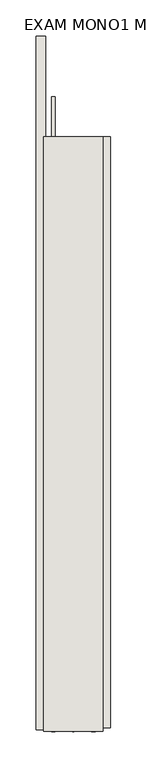
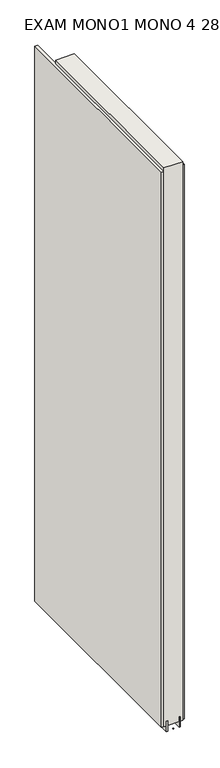
"""IFC4 building model written with IfcOpenShell, lengths in millimetres: wall geometry, EXAM MONO1 MONO 4 289288 : EXAM MONO1 MONO 4 289288."""

from ifc_helpers import new_model, si_unit, frame, origin, place, context, project, spatial, polyline, outline, extrude, source, transform, mapped, element, save


def exam_mono1_mono_4_289288_exam_mono1_mono_4_289288_d4fbb5ee(model_context):
    return source(origin(), model_context, "Body", "SweptSolid", [
        extrude(outline(polyline([(81690.882211, -51681.2497742), (81690.882211, -51683.7897742), (81688.342211, -51683.7897742), (81688.342211, -51681.2497742), (81690.882211, -51681.2497742)])), frame((0.0, 0.0, 4419.6), z_axis=(0.0, 0.0, 1.0), x_axis=(1.0, 0.0, 0.0)), (0.0, 0.0, 1.0), 2.54),
        extrude(outline(polyline([(81638.812211, -51681.7862984), (81638.812211, -50731.770266), (81651.512211, -50731.770266), (81651.512211, -51681.7862984), (81638.812211, -51681.7862984)])), frame((0.0, 0.0, 4445.0), z_axis=(0.0, 0.0, 1.0), x_axis=(1.0, 0.0, 0.0)), (0.0, 0.0, 1.0), 2545.0498756),
        extrude(outline(polyline([(81740.412211, -50868.935473), (81740.412211, -51679.3229302), (81727.712211, -51679.3229302), (81727.712211, -50868.935473), (81740.412211, -50868.935473)])), frame((0.0, 0.0, 4445.0), z_axis=(0.0, 0.0, 1.0), x_axis=(1.0, 0.0, 0.0)), (0.0, 0.0, 1.0), 2545.0498756),
        extrude(outline(polyline([(81664.5284664, -50814.0983716), (81664.5284664, -51683.7941176), (81659.449711, -51683.7941176), (81659.449711, -50814.0983716), (81664.5284664, -50814.0983716)])), frame((0.0, 0.0, 4418.6602), z_axis=(0.0, 0.0, 1.0), x_axis=(1.0, 0.0, 0.0)), (0.0, 0.0, 1.0), 47.625),
        extrude(outline(polyline([(81664.5284664, -50814.0983716), (81664.5284664, -51683.7941176), (81659.449711, -51683.7941176), (81659.449711, -50814.0983716), (81664.5284664, -50814.0983716)])), frame((0.0, 0.0, 4418.6602), z_axis=(0.0, 0.0, 1.0), x_axis=(1.0, 0.0, 0.0)), (0.0, 0.0, 1.0), 47.625),
        extrude(outline(polyline([(81714.6959556, -51683.7941176), (81714.6959556, -50869.3942224), (81719.774711, -50869.3942224), (81719.774711, -51683.7941176), (81714.6959556, -51683.7941176)])), frame((0.0, 0.0, 4418.6602), z_axis=(0.0, 0.0, 1.0), x_axis=(1.0, 0.0, 0.0)), (0.0, 0.0, 1.0), 47.625),
        extrude(outline(polyline([(81714.6959556, -51683.7941176), (81714.6959556, -50869.3942224), (81719.774711, -50869.3942224), (81719.774711, -51683.7941176), (81714.6959556, -51683.7941176)])), frame((0.0, 0.0, 4418.6602), z_axis=(0.0, 0.0, 1.0), x_axis=(1.0, 0.0, 0.0)), (0.0, 0.0, 1.0), 47.625),
        extrude(outline(polyline([(81648.9573266, -50869.3942224), (81730.2670954, -50869.3942224), (81730.2670954, -51683.7941176), (81648.9573266, -51683.7941176), (81648.9573266, -50869.3942224)])), frame((0.0, 0.0, 4445.0), z_axis=(0.0, 0.0, 1.0), x_axis=(1.0, 0.0, 0.0)), (0.0, 0.0, 1.0), 2562.4536762),
    ])


if __name__ == "__main__":
    model = new_model("IFC4")
    model_context = context("Model", 3, world=origin())
    ifc_project = project(units=[si_unit("LENGTHUNIT", "METRE", prefix="MILLI")], contexts=[model_context])
    site = spatial("IfcSite", under=ifc_project)
    building = spatial("IfcBuilding", under=site)
    placement = place(None, origin())
    exam_mono1_mono_4_289288_exam_mono1_mono_4_289288_shape = exam_mono1_mono_4_289288_exam_mono1_mono_4_289288_d4fbb5ee(model_context)
    element("IfcWall", 1, ObjectType="EXAM MONO1 MONO 4 289288 : EXAM MONO1 MONO 4 289288", at=placement, inside=building, context=model_context, shape_type="MappedRepresentation", body=[
        mapped(exam_mono1_mono_4_289288_exam_mono1_mono_4_289288_shape, transform((0.0, 0.0, 0.0), x_axis=(1.0, 0.0, 0.0), y_axis=(0.0, 1.0, 0.0), z_axis=(0.0, 0.0, 1.0))),
    ])
    save(model, "model.ifc")
